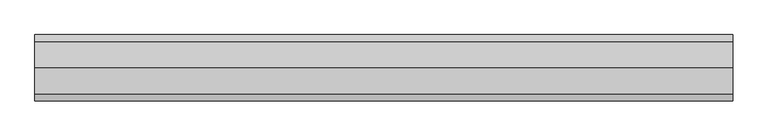
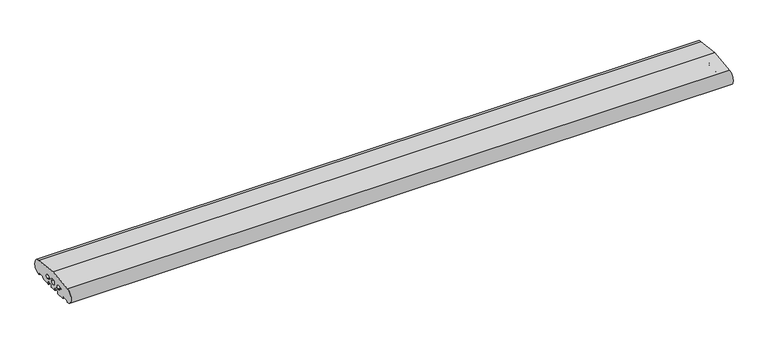
"""IFC4 building model written with IfcOpenShell, lengths in millimetres: proxy geometry."""

from ifc_helpers import new_model, si_unit, point, frame, frame_2d, origin, place, context, project, spatial, polyline, circle_curve, trimmed, segment, composite_curve, outline, extrude, source, transform, mapped, element, save


def generic_models_e1b47e3c(model_context):
    return source(origin(), model_context, "Body", "SweptSolid", [
        extrude(outline(composite_curve([segment(trimmed(circle_curve(frame_2d((-136.0, 26.5)), 24.0), [point((-136.5981483, 2.5074549))], [point((-138.0858073, 50.4091909))], False, "CARTESIAN"), True, "CONTINUOUS"), segment(polyline([(-138.0858073, 50.4091909), (-55.0, 60.4), (28.0858073, 50.4091909)]), True, "CONTINUOUS"), segment(trimmed(circle_curve(frame_2d((26.0, 26.5)), 24.0), [point((28.0858073, 50.4091909))], [point((26.5981483, 2.5074549))], False, "CARTESIAN"), True, "CONTINUOUS"), segment(trimmed(circle_curve(frame_2d((26.5732255, 3.5071443)), 1.0), [point((26.5981483, 2.5074549))], [point((25.7072001, 3.0071443))], False, "CARTESIAN"), True, "CONTINUOUS"), segment(polyline([(25.7072001, 3.0071443), (23.6905989, 6.5)]), True, "CONTINUOUS"), segment(trimmed(circle_curve(frame_2d((21.9585481, 5.5)), 2.0), [point((23.6905989, 6.5))], [point((21.9585481, 7.5))], True, "CARTESIAN"), True, "CONTINUOUS"), segment(polyline([(21.9585481, 7.5), (5.4848276, 7.5)]), True, "CONTINUOUS"), segment(trimmed(circle_curve(frame_2d((5.4848276, 5.5)), 2.0), [point((5.4848276, 7.5))], [point((3.7527767, 6.5))], True, "CARTESIAN"), True, "CONTINUOUS"), segment(polyline([(3.7527767, 6.5), (0.2886751, 0.5)]), True, "CONTINUOUS"), segment(trimmed(circle_curve(frame_2d((-0.5773503, 1.0)), 1.0), [point((0.2886751, 0.5))], [point((-0.5773503, 0.0))], False, "CARTESIAN"), True, "CONTINUOUS"), segment(polyline([(-0.5773503, 0.0), (-27.0, 0.0)]), True, "CONTINUOUS"), segment(trimmed(circle_curve(frame_2d((-27.0, 1.0)), 1.0), [point((-27.0, 0.0))], [point((-28.0, 1.0))], False, "CARTESIAN"), True, "CONTINUOUS"), segment(polyline([(-28.0, 1.0), (-28.0, 7.0)]), True, "CONTINUOUS"), segment(trimmed(circle_curve(frame_2d((-30.0, 7.0)), 2.0), [point((-28.0, 7.0))], [point((-30.0, 9.0))], True, "CARTESIAN"), True, "CONTINUOUS"), segment(polyline([(-30.0, 9.0), (-43.0, 9.0)]), True, "CONTINUOUS"), segment(trimmed(circle_curve(frame_2d((-43.0, 7.0)), 2.0), [point((-43.0, 9.0))], [point((-45.0, 7.0))], True, "CARTESIAN"), True, "CONTINUOUS"), segment(polyline([(-45.0, 7.0), (-45.0, 1.0)]), True, "CONTINUOUS"), segment(trimmed(circle_curve(frame_2d((-46.0, 1.0)), 1.0), [point((-45.0, 1.0))], [point((-46.0, 0.0))], False, "CARTESIAN"), True, "CONTINUOUS"), segment(polyline([(-46.0, 0.0), (-64.0, 0.0)]), True, "CONTINUOUS"), segment(trimmed(circle_curve(frame_2d((-64.0, 1.0)), 1.0), [point((-64.0, 0.0))], [point((-65.0, 1.0))], False, "CARTESIAN"), True, "CONTINUOUS"), segment(polyline([(-65.0, 1.0), (-65.0, 7.0)]), True, "CONTINUOUS"), segment(trimmed(circle_curve(frame_2d((-67.0, 7.0)), 2.0), [point((-65.0, 7.0))], [point((-67.0, 9.0))], True, "CARTESIAN"), True, "CONTINUOUS"), segment(polyline([(-67.0, 9.0), (-80.0, 9.0)]), True, "CONTINUOUS"), segment(trimmed(circle_curve(frame_2d((-80.0, 7.0)), 2.0), [point((-80.0, 9.0))], [point((-82.0, 7.0))], True, "CARTESIAN"), True, "CONTINUOUS"), segment(polyline([(-82.0, 7.0), (-82.0, 1.0)]), True, "CONTINUOUS"), segment(trimmed(circle_curve(frame_2d((-83.0, 1.0)), 1.0), [point((-82.0, 1.0))], [point((-83.0, 0.0))], False, "CARTESIAN"), True, "CONTINUOUS"), segment(polyline([(-83.0, 0.0), (-109.4226497, 0.0)]), True, "CONTINUOUS"), segment(trimmed(circle_curve(frame_2d((-109.4226497, 1.0)), 1.0), [point((-109.4226497, 0.0))], [point((-110.2886751, 0.5))], False, "CARTESIAN"), True, "CONTINUOUS"), segment(polyline([(-110.2886751, 0.5), (-113.7527767, 6.5)]), True, "CONTINUOUS"), segment(trimmed(circle_curve(frame_2d((-115.4848276, 5.5)), 2.0), [point((-113.7527767, 6.5))], [point((-115.4848276, 7.5))], True, "CARTESIAN"), True, "CONTINUOUS"), segment(polyline([(-115.4848276, 7.5), (-131.9585481, 7.5)]), True, "CONTINUOUS"), segment(trimmed(circle_curve(frame_2d((-131.9585481, 5.5)), 2.0), [point((-131.9585481, 7.5))], [point((-133.6905989, 6.5))], True, "CARTESIAN"), True, "CONTINUOUS"), segment(polyline([(-133.6905989, 6.5), (-135.7072001, 3.0071443)]), True, "CONTINUOUS"), segment(trimmed(circle_curve(frame_2d((-136.5732255, 3.5071443)), 1.0), [point((-135.7072001, 3.0071443))], [point((-136.5981483, 2.5074549))], False, "CARTESIAN"), True, "CONTINUOUS")], self_intersect=False), holes=[composite_curve([segment(trimmed(circle_curve(frame_2d((-55.0, 23.8353497)), 7.9623451), [point((-62.9623451, 23.8353497))], [point((-47.0376549, 23.8353497))], True, "CARTESIAN"), True, "CONTINUOUS"), segment(trimmed(circle_curve(frame_2d((-55.0, 23.8353497)), 7.9623451), [point((-47.0376549, 23.8353497))], [point((-62.9623451, 23.8353497))], True, "CARTESIAN"), True, "CONTINUOUS")], self_intersect=False), composite_curve([segment(trimmed(circle_curve(frame_2d((-83.9962051, 23.8353497)), 6.0113846), [point((-84.3659949, 17.8353497))], [point((-84.3659949, 29.8353497))], True, "CARTESIAN"), True, "CONTINUOUS"), segment(polyline([(-84.3659949, 29.8353497), (-87.6340051, 29.8353497)]), True, "CONTINUOUS"), segment(trimmed(circle_curve(frame_2d((-88.0037949, 23.8353497)), 6.0113846), [point((-87.6340051, 29.8353497))], [point((-87.6340051, 17.8353497))], True, "CARTESIAN"), True, "CONTINUOUS"), segment(polyline([(-87.6340051, 17.8353497), (-84.3659949, 17.8353497)]), True, "CONTINUOUS")], self_intersect=False), composite_curve([segment(polyline([(-25.6340051, 17.8353497), (-22.3659949, 17.8353497)]), True, "CONTINUOUS"), segment(trimmed(circle_curve(frame_2d((-21.9962051, 23.8353497)), 6.0113846), [point((-22.3659949, 17.8353497))], [point((-22.3659949, 29.8353497))], True, "CARTESIAN"), True, "CONTINUOUS"), segment(polyline([(-22.3659949, 29.8353497), (-25.6340051, 29.8353497)]), True, "CONTINUOUS"), segment(trimmed(circle_curve(frame_2d((-26.0037949, 23.8353497)), 6.0113846), [point((-25.6340051, 29.8353497))], [point((-25.6340051, 17.8353497))], True, "CARTESIAN"), True, "CONTINUOUS")], self_intersect=False)]), frame((0.0, 0.0, 0.0), z_axis=(1.0, 0.0, 0.0), x_axis=(0.0, 1.0, 0.0)), (0.0, 0.0, 1.0), 2205.0),
    ])


if __name__ == "__main__":
    model = new_model("IFC4")
    model_context = context("Model", 3, world=origin())
    ifc_project = project(units=[si_unit("LENGTHUNIT", "METRE", prefix="MILLI")], contexts=[model_context])
    site = spatial("IfcSite", under=ifc_project)
    building = spatial("IfcBuilding", under=site)
    placement = place(None, origin())
    generic_models_shape = generic_models_e1b47e3c(model_context)
    element("IfcBuildingElementProxy", 1, Name="Generic Models", at=placement, inside=building, context=model_context, shape_type="MappedRepresentation", body=[
        mapped(generic_models_shape, transform((0.0, 0.0, 0.0), x_axis=(1.0, 0.0, 0.0), y_axis=(0.0, 1.0, 0.0), z_axis=(0.0, 0.0, 1.0))),
    ])
    save(model, "model.ifc")
